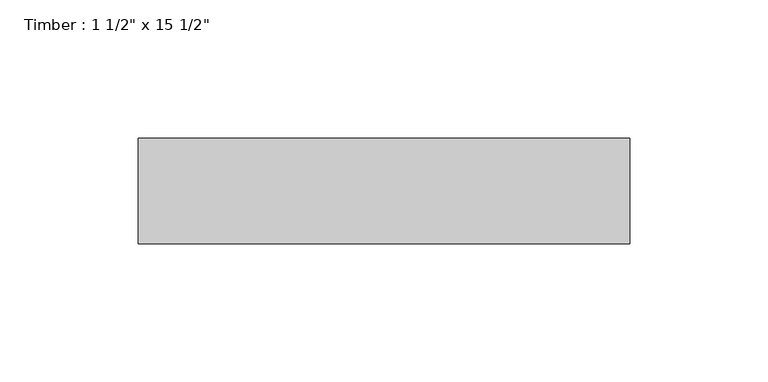
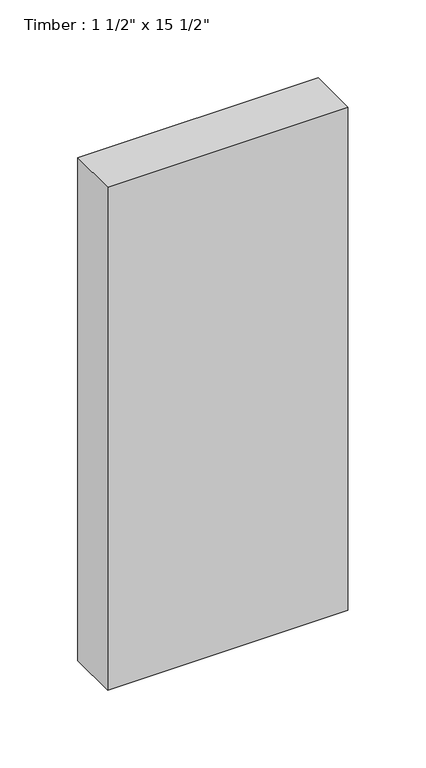
"""IFC4 building model written with IfcOpenShell, lengths in millimetres: beam geometry."""

import ifcopenshell
import ifcopenshell.guid

model = None  # the IFC model being written
_history = None  # IfcOwnerHistory: only IFC2X3 demands one
_inside = {}  # id of a spatial element -> (the spatial element, [elements in it])
_under = {}  # id of a project, library or spatial element -> (it, [spatial elements below it])
_declared = {}  # id of a project -> (the project, [libraries it declares])
_typed = {}  # id of a type object -> (the type object, [elements of that type])
_made_of = {}  # id of a material, layer set ... -> (it, [elements and type objects made of it])


def new_model(schema):
    """Start an empty IFC model of exactly this schema.

    Asked for "IFC4X3", IfcOpenShell would pick the latest addendum, in which some entities
    have other attributes; the version numbers below select the first issue.
    IFC2X3 requires an IfcOwnerHistory on every rooted entity: one is made here for all.
    """
    global model, _history
    if schema == "IFC4X3":
        model = ifcopenshell.file(schema_version=(4, 3, 0, 0))
    else:
        model = ifcopenshell.file(schema=schema)
    _inside.clear()
    _under.clear()
    _declared.clear()
    _typed.clear()
    _made_of.clear()
    _history = None
    if model.schema == "IFC2X3":
        org = make("IfcOrganization", Name="unknown")
        user = make(
            "IfcPersonAndOrganization",
            ThePerson=make("IfcPerson", FamilyName="unknown"),
            TheOrganization=org,
        )
        app = make(
            "IfcApplication",
            ApplicationDeveloper=org,
            Version="unknown",
            ApplicationFullName="unknown",
            ApplicationIdentifier="unknown",
        )
        _history = make(
            "IfcOwnerHistory",
            OwningUser=user,
            OwningApplication=app,
            ChangeAction="ADDED",
            CreationDate=0,
        )
    return model


def make(cls, **values):
    """One entity of the class cls with the attributes given. An attribute that is None is left unset."""
    return model.create_entity(
        cls, **{name: value for name, value in values.items() if value is not None}
    )


def rooted(cls, **values):
    """An entity with a GlobalId (a new one), such as an element, a storey or a relation."""
    return make(cls, GlobalId=ifcopenshell.guid.new(), OwnerHistory=_history, **values)


def si_unit(unit_type, name, prefix=None):
    """IfcSIUnit, for example si_unit("LENGTHUNIT", "METRE", prefix="MILLI")."""
    return make("IfcSIUnit", UnitType=unit_type, Prefix=prefix, Name=name)


def assignment(units):
    """IfcUnitAssignment: the units of a project."""
    return None if units is None else make("IfcUnitAssignment", Units=units)


def point(xyz):
    """IfcCartesianPoint."""
    return None if xyz is None else make("IfcCartesianPoint", Coordinates=xyz)


def direction(xyz):
    """IfcDirection."""
    return None if xyz is None else make("IfcDirection", DirectionRatios=xyz)


def frame(location, z_axis=None, x_axis=None):
    """IfcAxis2Placement3D, a coordinate frame: its origin and axes. An axis left out is left unset."""
    return make(
        "IfcAxis2Placement3D",
        Location=point(location),
        Axis=direction(z_axis),
        RefDirection=direction(x_axis),
    )


def origin():
    """The frame at (0, 0, 0) with its axes left unset."""
    return frame((0.0, 0.0, 0.0))


def place(relative_to, where):
    """IfcLocalPlacement: puts the frame where relative to a parent placement (None: the world)."""
    return make(
        "IfcLocalPlacement", PlacementRelTo=relative_to, RelativePlacement=where
    )


def context(
    kind, dimensions, precision=None, world=None, true_north=None, identifier=None
):
    """IfcGeometricRepresentationContext, for example the 3D "Model" context."""
    return make(
        "IfcGeometricRepresentationContext",
        ContextIdentifier=identifier,
        ContextType=kind,
        CoordinateSpaceDimension=dimensions,
        Precision=precision,
        WorldCoordinateSystem=world,
        TrueNorth=true_north,
    )


def project(units=None, contexts=None):
    """IfcProject with its units and contexts."""
    return rooted(
        "IfcProject",
        Name="project",
        RepresentationContexts=contexts,
        UnitsInContext=assignment(units),
    )


def spatial(cls, under=None, at=None, **own):
    """A site, building, storey or space (cls), placed at a placement, below another one or the project."""
    s = rooted(cls, ObjectPlacement=at, **own)
    if under is not None:
        _under.setdefault(under.id(), (under, []))[1].append(s)
    return s


def polyline(points):
    """IfcPolyline through the points."""
    return make("IfcPolyline", Points=[point(p) for p in points])


def outline(outer, holes=None, kind="AREA"):
    """IfcArbitraryClosedProfileDef: a profile drawn as a closed curve; with holes, ...WithVoids."""
    if holes is None:
        return make("IfcArbitraryClosedProfileDef", ProfileType=kind, OuterCurve=outer)
    return make(
        "IfcArbitraryProfileDefWithVoids",
        ProfileType=kind,
        OuterCurve=outer,
        InnerCurves=holes,
    )


def extrude(swept, where, along, depth):
    """IfcExtrudedAreaSolid: the profile swept, set in the frame where, extruded along a direction by depth."""
    return make(
        "IfcExtrudedAreaSolid",
        SweptArea=swept,
        Position=where,
        ExtrudedDirection=direction(along),
        Depth=depth,
    )


def shape(context_of_items, identifier, shape_type, items):
    """IfcShapeRepresentation: the items that make up one representation, for example the "Body"."""
    return make(
        "IfcShapeRepresentation",
        ContextOfItems=context_of_items,
        RepresentationIdentifier=identifier,
        RepresentationType=shape_type,
        Items=items,
    )


def source(mapping_origin, context_of_items, identifier, shape_type, items):
    """IfcRepresentationMap: a shape defined once, which mapped items show again and again."""
    return make(
        "IfcRepresentationMap",
        MappingOrigin=mapping_origin,
        MappedRepresentation=shape(context_of_items, identifier, shape_type, items),
    )


def transform(
    local_origin,
    x_axis=None,
    y_axis=None,
    z_axis=None,
    scale=None,
    scale2=None,
    scale3=None,
    uniform=True,
):
    """IfcCartesianTransformationOperator3D, or its non-uniform kind. x_axis, y_axis, z_axis: its Axis1, 2, 3."""
    if uniform:
        return make(
            "IfcCartesianTransformationOperator3D",
            Axis1=direction(x_axis),
            Axis2=direction(y_axis),
            LocalOrigin=point(local_origin),
            Scale=scale,
            Axis3=direction(z_axis),
        )
    return make(
        "IfcCartesianTransformationOperator3DnonUniform",
        Axis1=direction(x_axis),
        Axis2=direction(y_axis),
        LocalOrigin=point(local_origin),
        Scale=scale,
        Axis3=direction(z_axis),
        Scale2=scale2,
        Scale3=scale3,
    )


def mapped(mapping_source, mapping_target):
    """IfcMappedItem: shows the shape of a source again, moved by a transform."""
    return make(
        "IfcMappedItem", MappingSource=mapping_source, MappingTarget=mapping_target
    )


def made_of(thing, what):
    """Note that an element or type object is made of a material, layer set ...; save() writes the relation."""
    if what is not None:
        _made_of.setdefault(what.id(), (what, []))[1].append(thing)
    return thing


def element(
    cls,
    number,
    at=None,
    inside=None,
    cuts=None,
    type_object=None,
    material=None,
    context=None,
    identifier="Body",
    shape_type=None,
    held_by="IfcProductDefinitionShape",
    body=None,
    shapes=None,
    **own,
):
    """One element of the class cls, such as IfcWall. Its Tag is "e" and its number.

    at: its placement. inside: the storey or other place that contains it. cuts: it is an
    opening in that element (IfcRelVoidsElement). A single representation is given by context,
    identifier, shape_type and body (its items); several are given by shapes. held_by: the class
    of the entity that holds the representations. save() writes the other relations.
    """
    e = rooted(cls, Tag="e%d" % number, ObjectPlacement=at, **own)
    if body is not None:
        shapes = [shape(context, identifier, shape_type, body)]
    if shapes is not None:
        e.Representation = make(held_by, Representations=shapes)
    if inside is not None:
        _inside.setdefault(inside.id(), (inside, []))[1].append(e)
    if cuts is not None:
        rooted(
            "IfcRelVoidsElement", RelatingBuildingElement=cuts, RelatedOpeningElement=e
        )
    if type_object is not None:
        _typed.setdefault(type_object.id(), (type_object, []))[1].append(e)
    return made_of(e, material)


def aggregate(whole, parts):
    """IfcRelAggregates: a whole, such as a stair, and the parts it consists of."""
    return rooted("IfcRelAggregates", RelatingObject=whole, RelatedObjects=parts)


def save(model, path):
    """Write the relations noted so far, then the file.

    IfcRelAggregates (storeys below a building ...), IfcRelContainedInSpatialStructure (elements
    in a storey), IfcRelDefinesByType, IfcRelAssociatesMaterial and IfcRelDeclares: one each for
    every whole, place, type object, material and project.
    """
    for whole, parts in _under.values():
        aggregate(whole, parts)
    for where, things in _inside.values():
        rooted(
            "IfcRelContainedInSpatialStructure",
            RelatedElements=things,
            RelatingStructure=where,
        )
    for kind, things in _typed.values():
        rooted("IfcRelDefinesByType", RelatedObjects=things, RelatingType=kind)
    for what, things in _made_of.values():
        rooted("IfcRelAssociatesMaterial", RelatedObjects=things, RelatingMaterial=what)
    for by, libraries in _declared.values():
        rooted("IfcRelDeclares", RelatingContext=by, RelatedDefinitions=libraries)
    model.write(path)


def beam_66b55d09(model_context):
    return source(origin(), model_context, "Body", "SweptSolid", [
        extrude(outline(polyline([(88.9, 19.05), (88.9, -19.05), (-88.9, -19.05), (-88.9, 19.05), (88.9, 19.05)])), frame((0.0, 0.0, -196.85), z_axis=(0.0, 0.0, 1.0), x_axis=(1.0, 0.0, 0.0)), (0.0, 0.0, 1.0), 393.7),
    ])


if __name__ == "__main__":
    model = new_model("IFC4")
    model_context = context("Model", 3, world=origin())
    ifc_project = project(units=[si_unit("LENGTHUNIT", "METRE", prefix="MILLI")], contexts=[model_context])
    site = spatial("IfcSite", under=ifc_project)
    building = spatial("IfcBuilding", under=site)
    placement = place(None, origin())
    beam_shape = beam_66b55d09(model_context)
    element("IfcBeam", 1, ObjectType="Timber : 1 1/2\" x 15 1/2\"", at=placement, inside=building, context=model_context, shape_type="MappedRepresentation", body=[
        mapped(beam_shape, transform((0.0, 0.0, 0.0), x_axis=(1.0, 0.0, 0.0), y_axis=(0.0, 1.0, 0.0), z_axis=(0.0, 0.0, 1.0))),
    ])
    save(model, "model.ifc")
